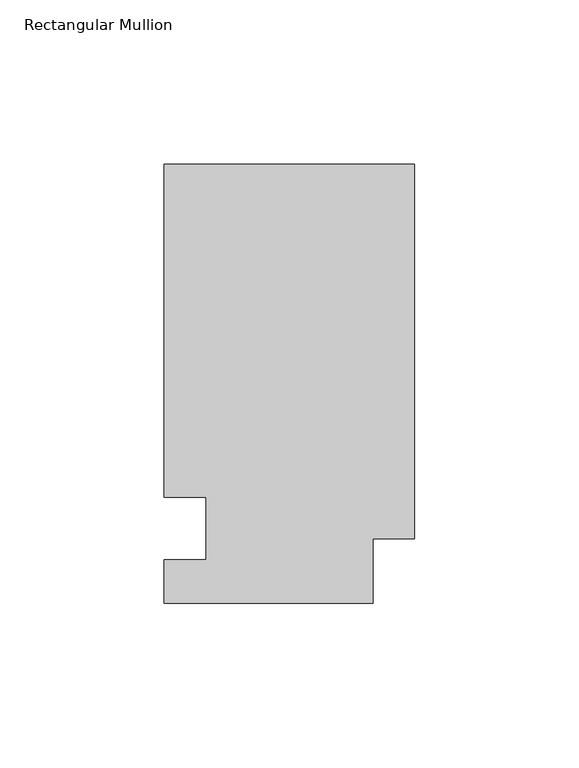
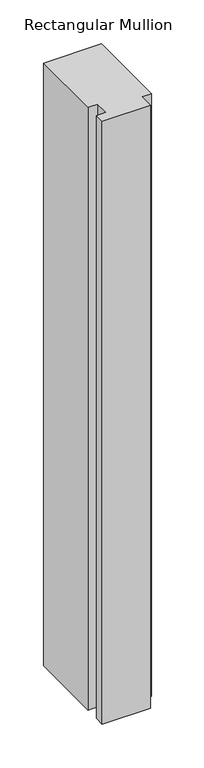
"""IFC4 building model written with IfcOpenShell, lengths in millimetres: member geometry, Rectangular Mullion."""

from ifc_helpers import new_model, si_unit, frame, origin, place, context, project, spatial, polyline, outline, extrude, source, transform, mapped, element, save


def rectangular_mullion_73df47ba(model_context):
    return source(origin(), model_context, "Body", "SweptSolid", [
        extrude(outline(polyline([(0.0, 133.4396938), (0.0, 19.5460937), (-12.7, 19.5460937), (-12.7, 0.0134937), (-76.2, 0.0134937), (-76.2, 13.1960937), (-63.5, 13.1960937), (-63.5, 32.2460938), (-76.2, 32.2460937), (-76.2, 133.4396937), (0.0, 133.4396938)])), frame((0.0, 0.0, -838.2), z_axis=(0.0, 0.0, 1.0), x_axis=(1.0, 0.0, 0.0)), (0.0, 0.0, 1.0), 838.2),
    ])


if __name__ == "__main__":
    model = new_model("IFC4")
    model_context = context("Model", 3, world=origin())
    ifc_project = project(units=[si_unit("LENGTHUNIT", "METRE", prefix="MILLI")], contexts=[model_context])
    site = spatial("IfcSite", under=ifc_project)
    building = spatial("IfcBuilding", under=site)
    placement = place(None, origin())
    rectangular_mullion_shape = rectangular_mullion_73df47ba(model_context)
    element("IfcMember", 1, ObjectType="Rectangular Mullion", at=placement, inside=building, context=model_context, shape_type="MappedRepresentation", body=[
        mapped(rectangular_mullion_shape, transform((0.0, 0.0, 0.0), x_axis=(1.0, 0.0, 0.0), y_axis=(0.0, 1.0, 0.0), z_axis=(0.0, 0.0, 1.0))),
    ])
    save(model, "model.ifc")
